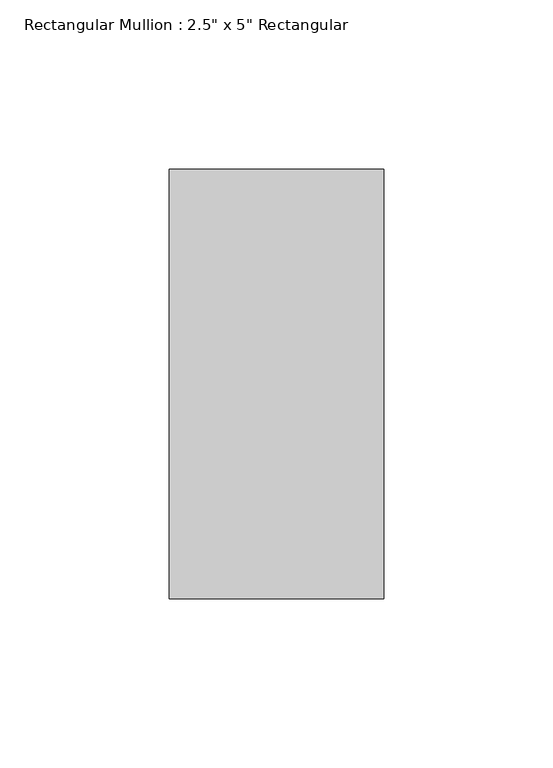
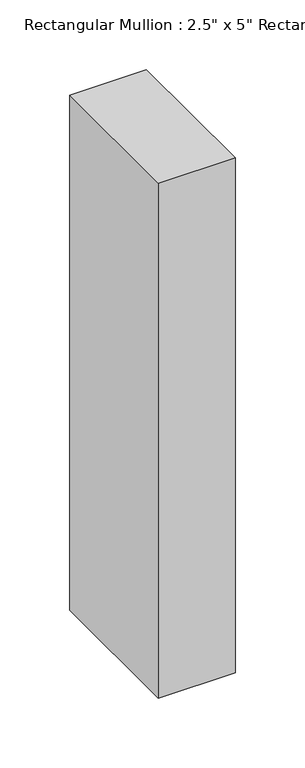
"""IFC4 building model written with IfcOpenShell, lengths in millimetres: member geometry."""

from ifc_helpers import new_model, si_unit, frame, origin, place, context, project, spatial, polyline, outline, extrude, source, transform, mapped, element, save


def member_969ca954(model_context):
    return source(origin(), model_context, "Body", "SweptSolid", [
        extrude(outline(polyline([(0.0, 63.5), (0.0, -63.5), (-63.5, -63.5), (-63.5, 63.5), (0.0, 63.5)])), frame((0.0, 0.0, -450.85), z_axis=(0.0, 0.0, 1.0), x_axis=(1.0, 0.0, 0.0)), (0.0, 0.0, 1.0), 450.85),
    ])


if __name__ == "__main__":
    model = new_model("IFC4")
    model_context = context("Model", 3, world=origin())
    ifc_project = project(units=[si_unit("LENGTHUNIT", "METRE", prefix="MILLI")], contexts=[model_context])
    site = spatial("IfcSite", under=ifc_project)
    building = spatial("IfcBuilding", under=site)
    placement = place(None, origin())
    member_shape = member_969ca954(model_context)
    element("IfcMember", 1, ObjectType="Rectangular Mullion : 2.5\" x 5\" Rectangular", at=placement, inside=building, context=model_context, shape_type="MappedRepresentation", body=[
        mapped(member_shape, transform((0.0, 0.0, 0.0), x_axis=(1.0, 0.0, 0.0), y_axis=(0.0, 1.0, 0.0), z_axis=(0.0, 0.0, 1.0))),
    ])
    save(model, "model.ifc")
